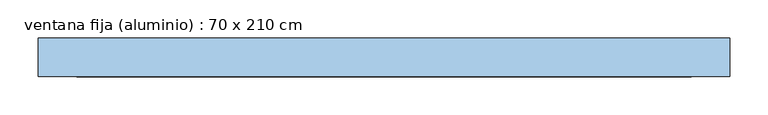
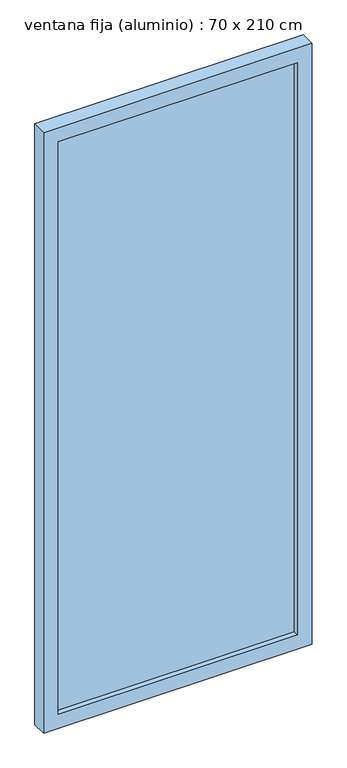
"""IFC4 building model written with IfcOpenShell, lengths in millimetres: window geometry, ventana fija (aluminio) : 70 x 210 cm."""

from ifc_helpers import new_model, si_unit, frame, origin, place, context, project, spatial, polyline, outline, extrude, source, transform, mapped, element, save


def ventana_fija_aluminio_70_x_210_cm_205863d6(model_context):
    return source(origin(), model_context, "Body", "SweptSolid", [
        extrude(outline(polyline([(400.0, 116.5), (-400.0, 116.5), (-400.0, 131.5), (400.0, 131.5), (400.0, 116.5)])), frame((0.0, 0.0, 850.0), z_axis=(0.0, 0.0, 1.0), x_axis=(1.0, 0.0, 0.0)), (0.0, 0.0, 1.0), 2025.0),
        extrude(outline(polyline([(2925.0, -450.0), (800.0, -450.0), (800.0, 450.0), (2925.0, 450.0), (2925.0, -450.0)]), holes=[polyline([(2875.0, -400.0), (2875.0, 400.0), (850.0, 400.0), (850.0, -400.0), (2875.0, -400.0)])]), frame((0.0, 99.0, 0.0), z_axis=(0.0, 1.0, 0.0), x_axis=(0.0, 0.0, 1.0)), (0.0, 0.0, 1.0), 50.0),
    ])


if __name__ == "__main__":
    model = new_model("IFC4")
    model_context = context("Model", 3, world=origin())
    ifc_project = project(units=[si_unit("LENGTHUNIT", "METRE", prefix="MILLI")], contexts=[model_context])
    site = spatial("IfcSite", under=ifc_project)
    building = spatial("IfcBuilding", under=site)
    placement = place(None, origin())
    ventana_fija_aluminio_70_x_210_cm_shape = ventana_fija_aluminio_70_x_210_cm_205863d6(model_context)
    element("IfcWindow", 1, ObjectType="ventana fija (aluminio) : 70 x 210 cm", at=placement, inside=building, context=model_context, shape_type="MappedRepresentation", body=[
        mapped(ventana_fija_aluminio_70_x_210_cm_shape, transform((0.0, 0.0, 0.0), x_axis=(1.0, 0.0, 0.0), y_axis=(0.0, 1.0, 0.0), z_axis=(0.0, 0.0, 1.0))),
    ])
    save(model, "model.ifc")
